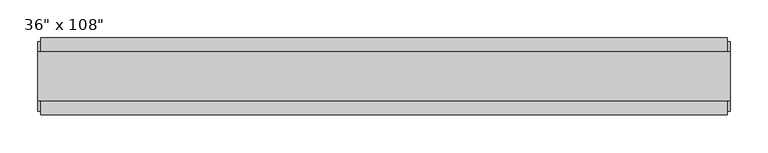
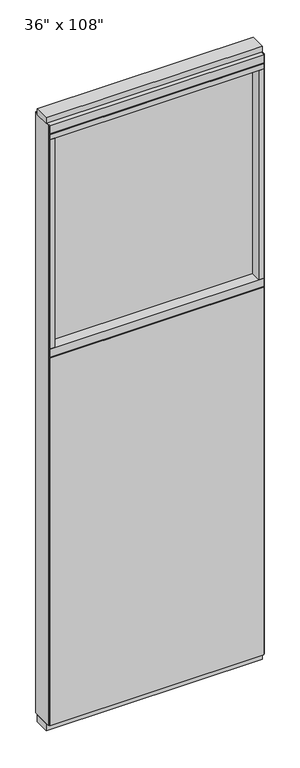
"""IFC4 building model written with IfcOpenShell, lengths in millimetres: furniture geometry."""

from ifc_helpers import new_model, si_unit, frame, origin, origin_with_axes, place, context, project, spatial, polyline, outline, extrude, source, transform, mapped, element, save


def furniture_cf897dd1(model_context):
    return source(origin(), model_context, "Body", "SweptSolid", [
        extrude(outline(polyline([(393.2264771, -46.2822784), (-513.2995229, -46.2822784), (-513.2995229, -33.5822784), (393.2264771, -33.5822784), (393.2264771, -46.2822784)])), frame((0.0, 0.0, 31.75), z_axis=(0.0, 0.0, 1.0), x_axis=(1.0, 0.0, 0.0)), (0.0, 0.0, 1.0), 1644.65),
        extrude(outline(polyline([(393.2264771, 55.3177216), (393.2264771, 42.6177216), (-513.2995229, 42.6177216), (-513.2995229, 55.3177216), (393.2264771, 55.3177216)])), frame((0.0, 0.0, 31.75), z_axis=(0.0, 0.0, 1.0), x_axis=(1.0, 0.0, 0.0)), (0.0, 0.0, 1.0), 1644.65),
        extrude(outline(polyline([(371.0014771, 9.5977216), (371.0014771, -0.5622784), (-491.0745229, -0.5622784), (-491.0745229, 9.5977216), (371.0014771, 9.5977216)])), frame((0.0, 0.0, 1717.675), z_axis=(0.0, 0.0, 1.0), x_axis=(1.0, 0.0, 0.0)), (0.0, 0.0, 1.0), 936.625),
        extrude(outline(polyline([(371.0014771, 55.3177216), (393.2264771, 55.3177216), (393.2264771, -46.2822784), (371.0014771, -46.2822784), (371.0014771, 55.3177216)])), frame((0.0, 0.0, 1717.675), z_axis=(0.0, 0.0, 1.0), x_axis=(1.0, 0.0, 0.0)), (0.0, 0.0, 1.0), 936.625),
        extrude(outline(polyline([(55.3177216, 1681.353), (50.3647216, 1681.353), (50.3647216, 1676.4), (-41.3292784, 1676.4), (-41.3292784, 1681.353), (-46.2822784, 1681.353), (-46.2822784, 1717.675), (55.3177216, 1717.675), (55.3177216, 1681.353)])), frame((-513.2995229, 0.0, 0.0), z_axis=(1.0, 0.0, 0.0), x_axis=(0.0, 1.0, 0.0)), (0.0, 0.0, 1.0), 906.526),
        extrude(outline(polyline([(-491.0745229, 55.3177216), (-491.0745229, -46.2822784), (-513.2995229, -46.2822784), (-513.2995229, 55.3177216), (-491.0745229, 55.3177216)])), frame((0.0, 0.0, 1717.675), z_axis=(0.0, 0.0, 1.0), x_axis=(1.0, 0.0, 0.0)), (0.0, 0.0, 1.0), 936.625),
        extrude(outline(polyline([(397.1634771, -27.9942784), (-517.2365229, -27.9942784), (-517.2365229, 37.0297216), (397.1634771, 37.0297216), (397.1634771, -27.9942784)])), origin_with_axes(), (0.0, 0.0, 1.0), 31.75),
        extrude(outline(polyline([(-517.2365229, 37.0297216), (397.1634771, 37.0297216), (397.1634771, -27.9942784), (-517.2365229, -27.9942784), (-517.2365229, 37.0297216)])), frame((0.0, 0.0, 2717.8), z_axis=(0.0, 0.0, 1.0), x_axis=(1.0, 0.0, 0.0)), (0.0, 0.0, 1.0), 25.4),
        extrude(outline(polyline([(55.3177216, 2681.478), (50.3647216, 2681.478), (50.3647216, 2676.525), (-41.3292784, 2676.525), (-41.3292784, 2681.478), (-46.2822784, 2681.478), (-46.2822784, 2717.8), (55.3177216, 2717.8), (55.3177216, 2681.478)])), frame((-513.2995229, 0.0, 0.0), z_axis=(1.0, 0.0, 0.0), x_axis=(0.0, 1.0, 0.0)), (0.0, 0.0, 1.0), 906.526),
        extrude(outline(polyline([(393.2264771, -46.2822784), (-513.2995229, -46.2822784), (-513.2995229, 55.3177216), (393.2264771, 55.3177216), (393.2264771, -46.2822784)])), frame((0.0, 0.0, 2654.3), z_axis=(0.0, 0.0, 1.0), x_axis=(1.0, 0.0, 0.0)), (0.0, 0.0, 1.0), 22.225),
        extrude(outline(polyline([(397.1634771, 50.3647216), (397.1634771, -41.3292784), (393.2264771, -41.3292784), (393.2264771, 50.3647216), (397.1634771, 50.3647216)])), frame((0.0, 0.0, 31.75), z_axis=(0.0, 0.0, 1.0), x_axis=(1.0, 0.0, 0.0)), (0.0, 0.0, 1.0), 2686.05),
        extrude(outline(polyline([(-517.2365229, 50.3647216), (-513.2995229, 50.3647216), (-513.2995229, -41.3292784), (-517.2365229, -41.3292784), (-517.2365229, 50.3647216)])), frame((0.0, 0.0, 31.75), z_axis=(0.0, 0.0, 1.0), x_axis=(1.0, 0.0, 0.0)), (0.0, 0.0, 1.0), 2686.05),
    ])


if __name__ == "__main__":
    model = new_model("IFC4")
    model_context = context("Model", 3, world=origin())
    ifc_project = project(units=[si_unit("LENGTHUNIT", "METRE", prefix="MILLI")], contexts=[model_context])
    site = spatial("IfcSite", under=ifc_project)
    building = spatial("IfcBuilding", under=site)
    placement = place(None, origin())
    furniture_shape = furniture_cf897dd1(model_context)
    element("IfcFurniture", 1, ObjectType="36\" x 108\"", at=placement, inside=building, context=model_context, shape_type="MappedRepresentation", body=[
        mapped(furniture_shape, transform((0.0, 0.0, 0.0), x_axis=(1.0, 0.0, 0.0), y_axis=(0.0, 1.0, 0.0), z_axis=(0.0, 0.0, 1.0))),
    ])
    save(model, "model.ifc")
